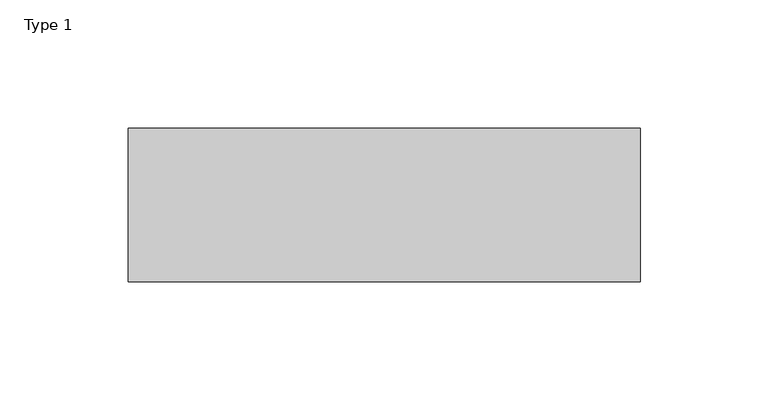
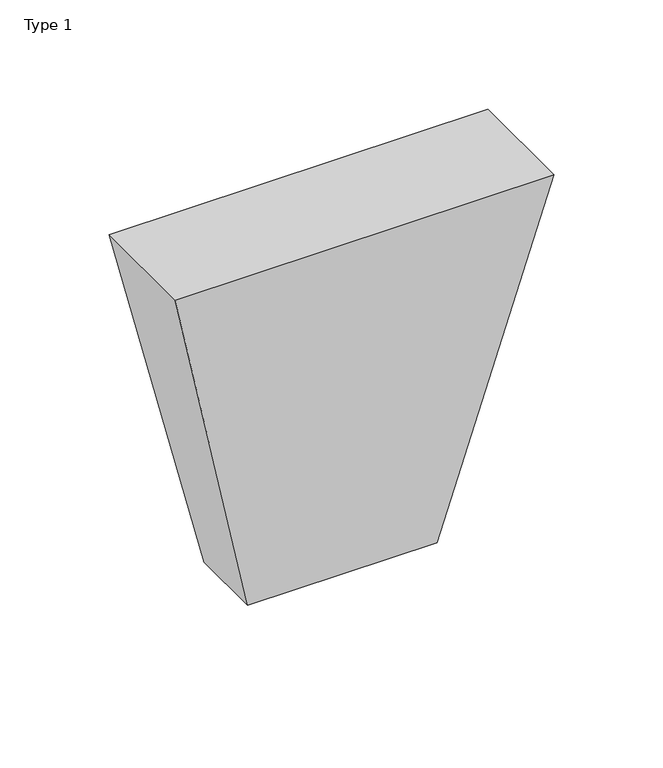
"""IFC4 building model written with IfcOpenShell, lengths in millimetres: proxy geometry, Type 1."""

import ifcopenshell
import ifcopenshell.guid

model = None  # the IFC model being written
_history = None  # IfcOwnerHistory: only IFC2X3 demands one
_inside = {}  # id of a spatial element -> (the spatial element, [elements in it])
_under = {}  # id of a project, library or spatial element -> (it, [spatial elements below it])
_declared = {}  # id of a project -> (the project, [libraries it declares])
_typed = {}  # id of a type object -> (the type object, [elements of that type])
_made_of = {}  # id of a material, layer set ... -> (it, [elements and type objects made of it])


def new_model(schema):
    """Start an empty IFC model of exactly this schema.

    Asked for "IFC4X3", IfcOpenShell would pick the latest addendum, in which some entities
    have other attributes; the version numbers below select the first issue.
    IFC2X3 requires an IfcOwnerHistory on every rooted entity: one is made here for all.
    """
    global model, _history
    if schema == "IFC4X3":
        model = ifcopenshell.file(schema_version=(4, 3, 0, 0))
    else:
        model = ifcopenshell.file(schema=schema)
    _inside.clear()
    _under.clear()
    _declared.clear()
    _typed.clear()
    _made_of.clear()
    _history = None
    if model.schema == "IFC2X3":
        org = make("IfcOrganization", Name="unknown")
        user = make(
            "IfcPersonAndOrganization",
            ThePerson=make("IfcPerson", FamilyName="unknown"),
            TheOrganization=org,
        )
        app = make(
            "IfcApplication",
            ApplicationDeveloper=org,
            Version="unknown",
            ApplicationFullName="unknown",
            ApplicationIdentifier="unknown",
        )
        _history = make(
            "IfcOwnerHistory",
            OwningUser=user,
            OwningApplication=app,
            ChangeAction="ADDED",
            CreationDate=0,
        )
    return model


def make(cls, **values):
    """One entity of the class cls with the attributes given. An attribute that is None is left unset."""
    return model.create_entity(
        cls, **{name: value for name, value in values.items() if value is not None}
    )


def rooted(cls, **values):
    """An entity with a GlobalId (a new one), such as an element, a storey or a relation."""
    return make(cls, GlobalId=ifcopenshell.guid.new(), OwnerHistory=_history, **values)


def si_unit(unit_type, name, prefix=None):
    """IfcSIUnit, for example si_unit("LENGTHUNIT", "METRE", prefix="MILLI")."""
    return make("IfcSIUnit", UnitType=unit_type, Prefix=prefix, Name=name)


def assignment(units):
    """IfcUnitAssignment: the units of a project."""
    return None if units is None else make("IfcUnitAssignment", Units=units)


def point(xyz):
    """IfcCartesianPoint."""
    return None if xyz is None else make("IfcCartesianPoint", Coordinates=xyz)


def direction(xyz):
    """IfcDirection."""
    return None if xyz is None else make("IfcDirection", DirectionRatios=xyz)


def frame(location, z_axis=None, x_axis=None):
    """IfcAxis2Placement3D, a coordinate frame: its origin and axes. An axis left out is left unset."""
    return make(
        "IfcAxis2Placement3D",
        Location=point(location),
        Axis=direction(z_axis),
        RefDirection=direction(x_axis),
    )


def origin():
    """The frame at (0, 0, 0) with its axes left unset."""
    return frame((0.0, 0.0, 0.0))


def place(relative_to, where):
    """IfcLocalPlacement: puts the frame where relative to a parent placement (None: the world)."""
    return make(
        "IfcLocalPlacement", PlacementRelTo=relative_to, RelativePlacement=where
    )


def context(
    kind, dimensions, precision=None, world=None, true_north=None, identifier=None
):
    """IfcGeometricRepresentationContext, for example the 3D "Model" context."""
    return make(
        "IfcGeometricRepresentationContext",
        ContextIdentifier=identifier,
        ContextType=kind,
        CoordinateSpaceDimension=dimensions,
        Precision=precision,
        WorldCoordinateSystem=world,
        TrueNorth=true_north,
    )


def project(units=None, contexts=None):
    """IfcProject with its units and contexts."""
    return rooted(
        "IfcProject",
        Name="project",
        RepresentationContexts=contexts,
        UnitsInContext=assignment(units),
    )


def spatial(cls, under=None, at=None, **own):
    """A site, building, storey or space (cls), placed at a placement, below another one or the project."""
    s = rooted(cls, ObjectPlacement=at, **own)
    if under is not None:
        _under.setdefault(under.id(), (under, []))[1].append(s)
    return s


def faces_of(points, faces, orient=None, outer=None):
    """IfcFace entities. A face is a list of loops; a loop is a list of indices into points, from 0.

    orient and outer hold one flag for each loop. By default every Orientation is true, the
    first loop of a face is its IfcFaceOuterBound and the others are IfcFaceBound.
    """
    made = []
    for i, loops in enumerate(faces):
        bounds = []
        for j, loop in enumerate(loops):
            is_outer = j == 0 if outer is None else outer[i][j]
            bounds.append(
                make(
                    "IfcFaceOuterBound" if is_outer else "IfcFaceBound",
                    Bound=make("IfcPolyLoop", Polygon=[points[k] for k in loop]),
                    Orientation=True if orient is None else orient[i][j],
                )
            )
        made.append(make("IfcFace", Bounds=bounds))
    return made


def faceted_brep(points, faces, orient=None, outer=None, voids=None):
    """IfcFacetedBrep: a solid bounded by flat faces; with voids (closed shells), ...WithVoids."""
    shared = [point(p) for p in points]
    hull = make("IfcClosedShell", CfsFaces=faces_of(shared, faces, orient, outer))
    if voids is None:
        return make("IfcFacetedBrep", Outer=hull)
    return make(
        "IfcFacetedBrepWithVoids",
        Outer=hull,
        Voids=[
            make(cls, CfsFaces=faces_of(shared, fs, o, b)) for cls, fs, o, b in voids
        ],
    )


def shape(context_of_items, identifier, shape_type, items):
    """IfcShapeRepresentation: the items that make up one representation, for example the "Body"."""
    return make(
        "IfcShapeRepresentation",
        ContextOfItems=context_of_items,
        RepresentationIdentifier=identifier,
        RepresentationType=shape_type,
        Items=items,
    )


def source(mapping_origin, context_of_items, identifier, shape_type, items):
    """IfcRepresentationMap: a shape defined once, which mapped items show again and again."""
    return make(
        "IfcRepresentationMap",
        MappingOrigin=mapping_origin,
        MappedRepresentation=shape(context_of_items, identifier, shape_type, items),
    )


def transform(
    local_origin,
    x_axis=None,
    y_axis=None,
    z_axis=None,
    scale=None,
    scale2=None,
    scale3=None,
    uniform=True,
):
    """IfcCartesianTransformationOperator3D, or its non-uniform kind. x_axis, y_axis, z_axis: its Axis1, 2, 3."""
    if uniform:
        return make(
            "IfcCartesianTransformationOperator3D",
            Axis1=direction(x_axis),
            Axis2=direction(y_axis),
            LocalOrigin=point(local_origin),
            Scale=scale,
            Axis3=direction(z_axis),
        )
    return make(
        "IfcCartesianTransformationOperator3DnonUniform",
        Axis1=direction(x_axis),
        Axis2=direction(y_axis),
        LocalOrigin=point(local_origin),
        Scale=scale,
        Axis3=direction(z_axis),
        Scale2=scale2,
        Scale3=scale3,
    )


def mapped(mapping_source, mapping_target):
    """IfcMappedItem: shows the shape of a source again, moved by a transform."""
    return make(
        "IfcMappedItem", MappingSource=mapping_source, MappingTarget=mapping_target
    )


def made_of(thing, what):
    """Note that an element or type object is made of a material, layer set ...; save() writes the relation."""
    if what is not None:
        _made_of.setdefault(what.id(), (what, []))[1].append(thing)
    return thing


def element(
    cls,
    number,
    at=None,
    inside=None,
    cuts=None,
    type_object=None,
    material=None,
    context=None,
    identifier="Body",
    shape_type=None,
    held_by="IfcProductDefinitionShape",
    body=None,
    shapes=None,
    **own,
):
    """One element of the class cls, such as IfcWall. Its Tag is "e" and its number.

    at: its placement. inside: the storey or other place that contains it. cuts: it is an
    opening in that element (IfcRelVoidsElement). A single representation is given by context,
    identifier, shape_type and body (its items); several are given by shapes. held_by: the class
    of the entity that holds the representations. save() writes the other relations.
    """
    e = rooted(cls, Tag="e%d" % number, ObjectPlacement=at, **own)
    if body is not None:
        shapes = [shape(context, identifier, shape_type, body)]
    if shapes is not None:
        e.Representation = make(held_by, Representations=shapes)
    if inside is not None:
        _inside.setdefault(inside.id(), (inside, []))[1].append(e)
    if cuts is not None:
        rooted(
            "IfcRelVoidsElement", RelatingBuildingElement=cuts, RelatedOpeningElement=e
        )
    if type_object is not None:
        _typed.setdefault(type_object.id(), (type_object, []))[1].append(e)
    return made_of(e, material)


def aggregate(whole, parts):
    """IfcRelAggregates: a whole, such as a stair, and the parts it consists of."""
    return rooted("IfcRelAggregates", RelatingObject=whole, RelatedObjects=parts)


def save(model, path):
    """Write the relations noted so far, then the file.

    IfcRelAggregates (storeys below a building ...), IfcRelContainedInSpatialStructure (elements
    in a storey), IfcRelDefinesByType, IfcRelAssociatesMaterial and IfcRelDeclares: one each for
    every whole, place, type object, material and project.
    """
    for whole, parts in _under.values():
        aggregate(whole, parts)
    for where, things in _inside.values():
        rooted(
            "IfcRelContainedInSpatialStructure",
            RelatedElements=things,
            RelatingStructure=where,
        )
    for kind, things in _typed.values():
        rooted("IfcRelDefinesByType", RelatedObjects=things, RelatingType=kind)
    for what, things in _made_of.values():
        rooted("IfcRelAssociatesMaterial", RelatedObjects=things, RelatingMaterial=what)
    for by, libraries in _declared.values():
        rooted("IfcRelDeclares", RelatingContext=by, RelatedDefinitions=libraries)
    model.write(path)


def type_1_18ab4523(model_context):
    return source(origin(), model_context, "Body", "Brep", [
        faceted_brep([(225.0, -181.0, 200.0), (25.0, -181.0, 200.0), (25.0, -241.0, 200.0), (225.0, -241.0, 200.0), (175.0, -181.0, 0.0), (175.0, -221.0, 0.0), (75.0, -221.0, 0.0), (75.0, -181.0, 0.0)], [[[0, 1, 2, 3]], [[4, 5, 6, 7]], [[4, 0, 3, 5]], [[5, 3, 2, 6]], [[6, 2, 1, 7]], [[7, 1, 0, 4]]]),
    ])


if __name__ == "__main__":
    model = new_model("IFC4")
    model_context = context("Model", 3, world=origin())
    ifc_project = project(units=[si_unit("LENGTHUNIT", "METRE", prefix="MILLI")], contexts=[model_context])
    site = spatial("IfcSite", under=ifc_project)
    building = spatial("IfcBuilding", under=site)
    placement = place(None, origin())
    type_1_shape = type_1_18ab4523(model_context)
    element("IfcBuildingElementProxy", 1, Name="Type 1", ObjectType="Type 1", at=placement, inside=building, context=model_context, shape_type="MappedRepresentation", body=[
        mapped(type_1_shape, transform((0.0, 0.0, 0.0), x_axis=(1.0, 0.0, 0.0), y_axis=(0.0, 1.0, 0.0), z_axis=(0.0, 0.0, 1.0))),
    ])
    save(model, "model.ifc")
